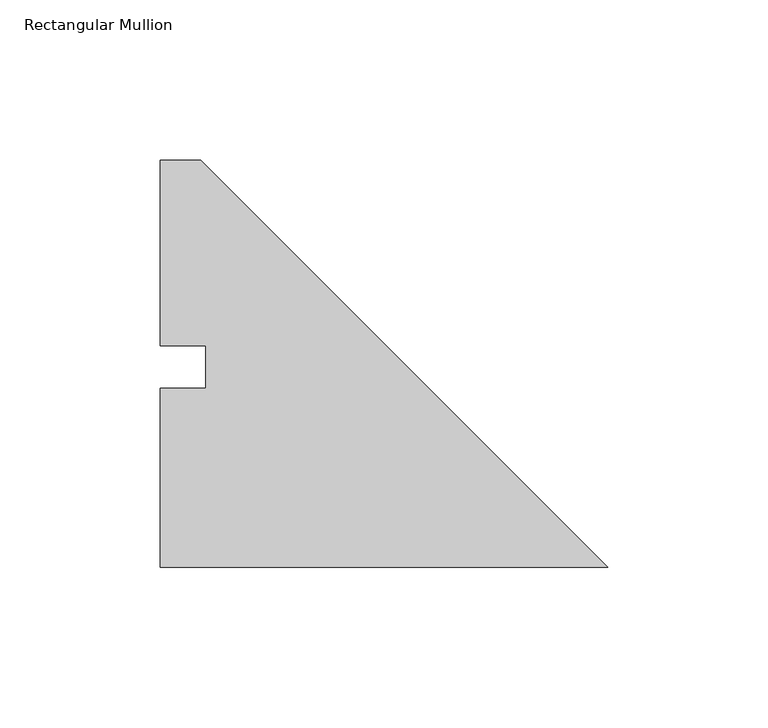
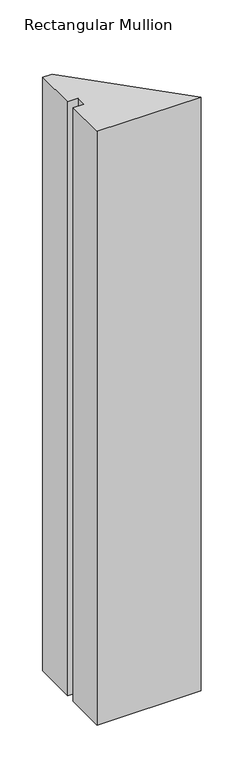
"""IFC4 building model written with IfcOpenShell, lengths in millimetres: member geometry, Rectangular Mullion."""

from ifc_helpers import new_model, si_unit, frame, origin, place, context, project, spatial, polyline, outline, extrude, source, transform, mapped, element, save


def rectangular_mullion_13cba349(model_context):
    return source(origin(), model_context, "Body", "SweptSolid", [
        extrude(outline(polyline([(-139.7, 127.00635), (-127.0, 127.00635), (0.0, 0.00635), (-139.7, 0.00635), (-139.7, 55.82285), (-125.4125, 55.82285), (-125.4125, 69.05625), (-139.7, 69.05625), (-139.7, 127.00635)])), frame((0.0, 0.0, -844.55), z_axis=(0.0, 0.0, 1.0), x_axis=(1.0, 0.0, 0.0)), (0.0, 0.0, 1.0), 844.55),
    ])


if __name__ == "__main__":
    model = new_model("IFC4")
    model_context = context("Model", 3, world=origin())
    ifc_project = project(units=[si_unit("LENGTHUNIT", "METRE", prefix="MILLI")], contexts=[model_context])
    site = spatial("IfcSite", under=ifc_project)
    building = spatial("IfcBuilding", under=site)
    placement = place(None, origin())
    rectangular_mullion_shape = rectangular_mullion_13cba349(model_context)
    element("IfcMember", 1, ObjectType="Rectangular Mullion", at=placement, inside=building, context=model_context, shape_type="MappedRepresentation", body=[
        mapped(rectangular_mullion_shape, transform((0.0, 0.0, 0.0), x_axis=(1.0, 0.0, 0.0), y_axis=(0.0, 1.0, 0.0), z_axis=(0.0, 0.0, 1.0))),
    ])
    save(model, "model.ifc")
